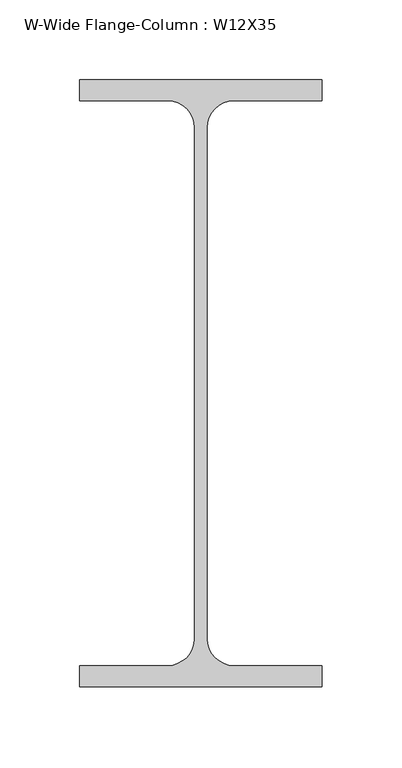
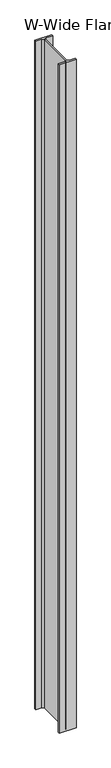
"""IFC4 building model written with IfcOpenShell, lengths in millimetres: column geometry, W-Wide Flange-Column : W12X35."""

from ifc_helpers import new_model, si_unit, point, frame_2d, origin, origin_with_axes, place, context, project, spatial, polyline, circle_curve, trimmed, segment, composite_curve, outline, extrude, source, transform, mapped, element, save


def w_wide_flange_column_w12x35_07a5a318(model_context):
    return source(origin(), model_context, "Body", "SweptSolid", [
        extrude(outline(composite_curve([segment(polyline([(76.2, 190.5), (76.2, 177.292), (20.7645, 177.292)]), True, "CONTINUOUS"), segment(trimmed(circle_curve(frame_2d((20.7645, 160.3375)), 16.9545), [point((20.7645, 177.292))], [point((3.81, 160.3375))], True, "CARTESIAN"), True, "CONTINUOUS"), segment(polyline([(3.81, 160.3375), (3.81, -160.3375)]), True, "CONTINUOUS"), segment(trimmed(circle_curve(frame_2d((20.7645, -160.3375)), 16.9545), [point((3.81, -160.3375))], [point((20.7645, -177.292))], True, "CARTESIAN"), True, "CONTINUOUS"), segment(polyline([(20.7645, -177.292), (76.2, -177.292), (76.2, -190.5), (-76.2, -190.5), (-76.2, -177.292), (-20.7645, -177.292)]), True, "CONTINUOUS"), segment(trimmed(circle_curve(frame_2d((-20.7645, -160.3375)), 16.9545), [point((-20.7645, -177.292))], [point((-3.81, -160.3375))], True, "CARTESIAN"), True, "CONTINUOUS"), segment(polyline([(-3.81, -160.3375), (-3.81, 160.3375)]), True, "CONTINUOUS"), segment(trimmed(circle_curve(frame_2d((-20.7645, 160.3375)), 16.9545), [point((-3.81, 160.3375))], [point((-20.7645, 177.292))], True, "CARTESIAN"), True, "CONTINUOUS"), segment(polyline([(-20.7645, 177.292), (-76.2, 177.292), (-76.2, 190.5), (76.2, 190.5)]), True, "CONTINUOUS")], self_intersect=False)), origin_with_axes(), (0.0, 0.0, 1.0), 6400.8),
    ])


if __name__ == "__main__":
    model = new_model("IFC4")
    model_context = context("Model", 3, world=origin())
    ifc_project = project(units=[si_unit("LENGTHUNIT", "METRE", prefix="MILLI")], contexts=[model_context])
    site = spatial("IfcSite", under=ifc_project)
    building = spatial("IfcBuilding", under=site)
    placement = place(None, origin())
    w_wide_flange_column_w12x35_shape = w_wide_flange_column_w12x35_07a5a318(model_context)
    element("IfcColumn", 1, ObjectType="W-Wide Flange-Column : W12X35", at=placement, inside=building, context=model_context, shape_type="MappedRepresentation", body=[
        mapped(w_wide_flange_column_w12x35_shape, transform((0.0, 0.0, 0.0), x_axis=(1.0, 0.0, 0.0), y_axis=(0.0, 1.0, 0.0), z_axis=(0.0, 0.0, 1.0))),
    ])
    save(model, "model.ifc")
